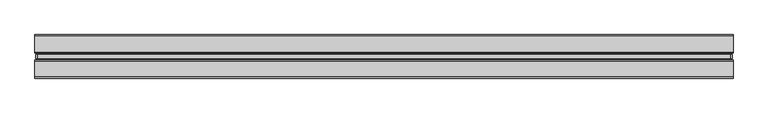
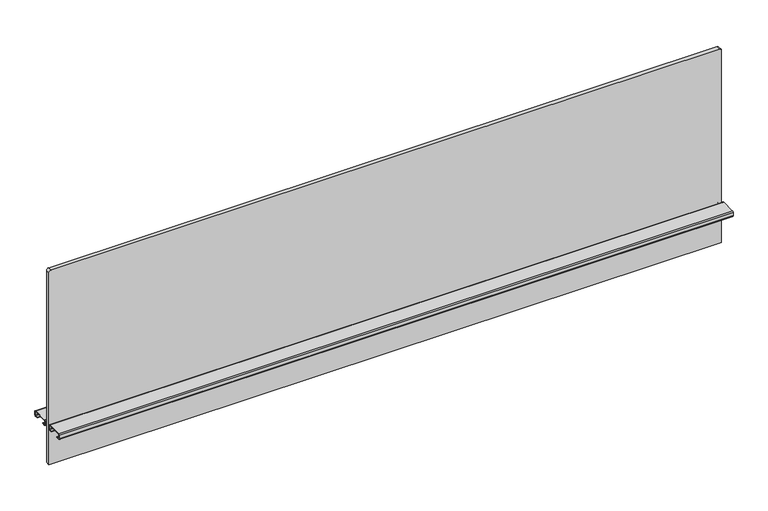
"""IFC4 building model written with IfcOpenShell, lengths in millimetres: furniture geometry."""

from ifc_helpers import new_model, si_unit, point, frame, frame_2d, origin, place, context, project, spatial, polyline, circle_curve, trimmed, segment, composite_curve, outline, extrude, source, transform, mapped, element, save


def furniture_a272d8e1(model_context):
    return source(origin(), model_context, "Body", "SweptSolid", [
        extrude(outline(composite_curve([segment(polyline([(1061.313613, 604.52), (1061.313613, -604.52)]), True, "CONTINUOUS"), segment(trimmed(circle_curve(frame_2d((1057.503613, -604.52)), 3.81), [point((1061.313613, -604.52))], [point((1057.503613, -608.33))], False, "CARTESIAN"), True, "CONTINUOUS"), segment(polyline([(1057.503613, -608.33), (689.965613, -608.33), (689.965613, 608.33), (1057.503613, 608.33)]), True, "CONTINUOUS"), segment(trimmed(circle_curve(frame_2d((1057.503613, 604.52)), 3.81), [point((1057.503613, 608.33))], [point((1061.313613, 604.52))], False, "CARTESIAN"), True, "CONTINUOUS")], self_intersect=False)), frame((0.0, -3.683001, 0.0), z_axis=(0.0, 1.0, 0.0), x_axis=(0.0, 0.0, 1.0)), (0.0, 0.0, 1.0), 7.3660021),
        extrude(outline(composite_curve([segment(polyline([(8.1724496, 769.2644064), (36.0679996, 769.2644064)]), True, "CONTINUOUS"), segment(trimmed(circle_curve(frame_2d((36.0679996, 767.2324064)), 2.032), [point((36.0679996, 769.2644064))], [point((38.0999996, 767.2324064))], False, "CARTESIAN"), True, "CONTINUOUS"), segment(polyline([(38.0999996, 767.2324064), (38.0999996, 761.1364161)]), True, "CONTINUOUS"), segment(trimmed(circle_curve(frame_2d((36.0679996, 761.1364161)), 2.032), [point((38.0999996, 761.1364161))], [point((36.0679996, 759.1044161))], False, "CARTESIAN"), True, "CONTINUOUS"), segment(polyline([(36.0679996, 759.1044161), (30.7784504, 759.1044161), (30.7784504, 760.0187498), (36.1695996, 760.0187498)]), True, "CONTINUOUS"), segment(trimmed(circle_curve(frame_2d((36.1695996, 761.0347498)), 1.016), [point((36.1695996, 760.0187498))], [point((37.1855996, 761.0347498))], True, "CARTESIAN"), True, "CONTINUOUS"), segment(polyline([(37.1855996, 761.0347498), (37.1855996, 767.334)]), True, "CONTINUOUS"), segment(trimmed(circle_curve(frame_2d((36.1695996, 767.334)), 1.016), [point((37.1855996, 767.334))], [point((36.1695996, 768.35))], True, "CARTESIAN"), True, "CONTINUOUS"), segment(polyline([(36.1695996, 768.35), (8.0708496, 768.35)]), True, "CONTINUOUS"), segment(trimmed(circle_curve(frame_2d((8.0708496, 767.334)), 1.016), [point((8.0708496, 768.35))], [point((7.0548496, 767.334))], True, "CARTESIAN"), True, "CONTINUOUS"), segment(polyline([(7.0548496, 767.334), (7.0548496, 761.0347498)]), True, "CONTINUOUS"), segment(trimmed(circle_curve(frame_2d((8.0708496, 761.0347498)), 1.016), [point((7.0548496, 761.0347498))], [point((8.0708496, 760.0187498))], True, "CARTESIAN"), True, "CONTINUOUS"), segment(polyline([(8.0708496, 760.0187498), (13.4619988, 760.0187498), (13.4619988, 759.1044161), (8.1724496, 759.1044161)]), True, "CONTINUOUS"), segment(trimmed(circle_curve(frame_2d((8.1724496, 761.1364161)), 2.032), [point((8.1724496, 759.1044161))], [point((6.1404496, 761.1364161))], False, "CARTESIAN"), True, "CONTINUOUS"), segment(polyline([(6.1404496, 761.1364161), (6.1404496, 767.2324064)]), True, "CONTINUOUS"), segment(trimmed(circle_curve(frame_2d((8.1724496, 767.2324064)), 2.032), [point((6.1404496, 767.2324064))], [point((8.1724496, 769.2644064))], False, "CARTESIAN"), True, "CONTINUOUS")], self_intersect=False)), frame((-609.6, 0.0, 0.0), z_axis=(1.0, 0.0, 0.0), x_axis=(0.0, 1.0, 0.0)), (0.0, 0.0, 1.0), 1219.2),
        extrude(outline(composite_curve([segment(trimmed(circle_curve(frame_2d((-8.1724496, 767.2324064)), 2.032), [point((-8.1724496, 769.2644064))], [point((-6.1404496, 767.2324064))], False, "CARTESIAN"), True, "CONTINUOUS"), segment(polyline([(-6.1404496, 767.2324064), (-6.1404496, 761.1364161)]), True, "CONTINUOUS"), segment(trimmed(circle_curve(frame_2d((-8.1724496, 761.1364161)), 2.032), [point((-6.1404496, 761.1364161))], [point((-8.1724496, 759.1044161))], False, "CARTESIAN"), True, "CONTINUOUS"), segment(polyline([(-8.1724496, 759.1044161), (-13.4619988, 759.1044161), (-13.4619988, 760.0187498), (-8.0708496, 760.0187498)]), True, "CONTINUOUS"), segment(trimmed(circle_curve(frame_2d((-8.0708496, 761.0347498)), 1.016), [point((-8.0708496, 760.0187498))], [point((-7.0548496, 761.0347498))], True, "CARTESIAN"), True, "CONTINUOUS"), segment(polyline([(-7.0548496, 761.0347498), (-7.0548496, 767.334)]), True, "CONTINUOUS"), segment(trimmed(circle_curve(frame_2d((-8.0708496, 767.334)), 1.016), [point((-7.0548496, 767.334))], [point((-8.0708496, 768.35))], True, "CARTESIAN"), True, "CONTINUOUS"), segment(polyline([(-8.0708496, 768.35), (-36.1695996, 768.35)]), True, "CONTINUOUS"), segment(trimmed(circle_curve(frame_2d((-36.1695996, 767.334)), 1.016), [point((-36.1695996, 768.35))], [point((-37.1855996, 767.334))], True, "CARTESIAN"), True, "CONTINUOUS"), segment(polyline([(-37.1855996, 767.334), (-37.1855996, 761.0347498)]), True, "CONTINUOUS"), segment(trimmed(circle_curve(frame_2d((-36.1695996, 761.0347498)), 1.016), [point((-37.1855996, 761.0347498))], [point((-36.1695996, 760.0187498))], True, "CARTESIAN"), True, "CONTINUOUS"), segment(polyline([(-36.1695996, 760.0187498), (-30.7784504, 760.0187498), (-30.7784504, 759.1044161), (-36.0679996, 759.1044161)]), True, "CONTINUOUS"), segment(trimmed(circle_curve(frame_2d((-36.0679996, 761.1364161)), 2.032), [point((-36.0679996, 759.1044161))], [point((-38.0999996, 761.1364161))], False, "CARTESIAN"), True, "CONTINUOUS"), segment(polyline([(-38.0999996, 761.1364161), (-38.0999996, 767.2324064)]), True, "CONTINUOUS"), segment(trimmed(circle_curve(frame_2d((-36.0679996, 767.2324064)), 2.032), [point((-38.0999996, 767.2324064))], [point((-36.0679996, 769.2644064))], False, "CARTESIAN"), True, "CONTINUOUS"), segment(polyline([(-36.0679996, 769.2644064), (-8.1724496, 769.2644064)]), True, "CONTINUOUS")], self_intersect=False)), frame((-609.6, 0.0, 0.0), z_axis=(1.0, 0.0, 0.0), x_axis=(0.0, 1.0, 0.0)), (0.0, 0.0, 1.0), 1219.2),
    ])


if __name__ == "__main__":
    model = new_model("IFC4")
    model_context = context("Model", 3, world=origin())
    ifc_project = project(units=[si_unit("LENGTHUNIT", "METRE", prefix="MILLI")], contexts=[model_context])
    site = spatial("IfcSite", under=ifc_project)
    building = spatial("IfcBuilding", under=site)
    placement = place(None, origin())
    furniture_shape = furniture_a272d8e1(model_context)
    element("IfcFurniture", 1, at=placement, inside=building, context=model_context, shape_type="MappedRepresentation", body=[
        mapped(furniture_shape, transform((0.0, 0.0, 0.0), x_axis=(1.0, 0.0, 0.0), y_axis=(0.0, 1.0, 0.0), z_axis=(0.0, 0.0, 1.0))),
    ])
    save(model, "model.ifc")
